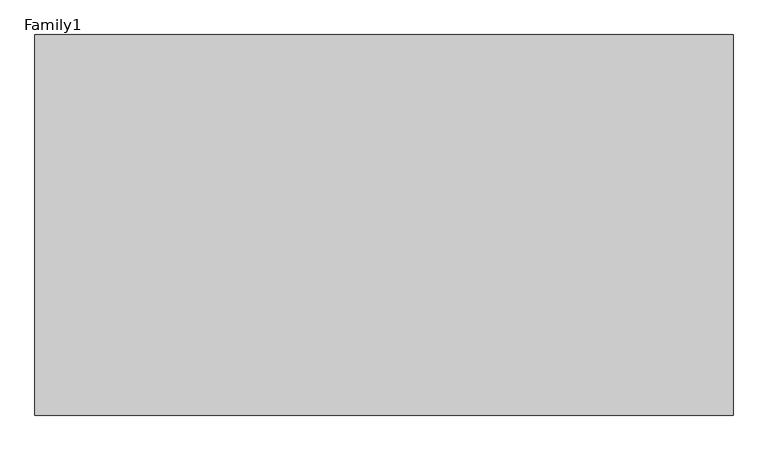
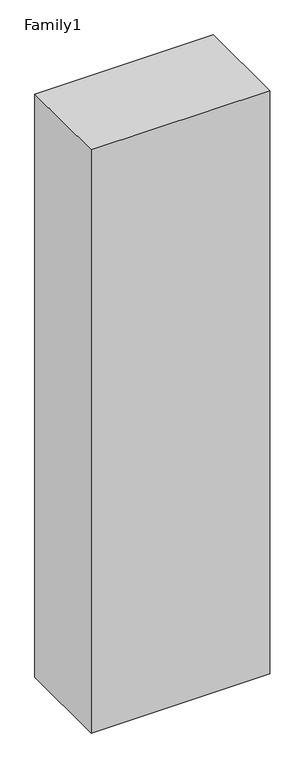
"""IFC4 building model written with IfcOpenShell, lengths in millimetres: proxy geometry, Family1."""

from ifc_helpers import new_model, si_unit, origin, origin_with_axes, place, context, project, spatial, polyline, outline, extrude, source, transform, mapped, element, save


def family1_18f83917(model_context):
    return source(origin(), model_context, "Body", "SweptSolid", [
        extrude(outline(polyline([(5500.0, 0.0), (0.0, 0.0), (0.0, 3000.0), (5500.0, 3000.0), (5500.0, 0.0)])), origin_with_axes(), (0.0, 0.0, 1.0), 19000.0),
    ])


if __name__ == "__main__":
    model = new_model("IFC4")
    model_context = context("Model", 3, world=origin())
    ifc_project = project(units=[si_unit("LENGTHUNIT", "METRE", prefix="MILLI")], contexts=[model_context])
    site = spatial("IfcSite", under=ifc_project)
    building = spatial("IfcBuilding", under=site)
    placement = place(None, origin())
    family1_shape = family1_18f83917(model_context)
    element("IfcBuildingElementProxy", 1, Name="Family1", ObjectType="Family1", at=placement, inside=building, context=model_context, shape_type="MappedRepresentation", body=[
        mapped(family1_shape, transform((0.0, 0.0, 0.0), x_axis=(1.0, 0.0, 0.0), y_axis=(0.0, 1.0, 0.0), z_axis=(0.0, 0.0, 1.0))),
    ])
    save(model, "model.ifc")
